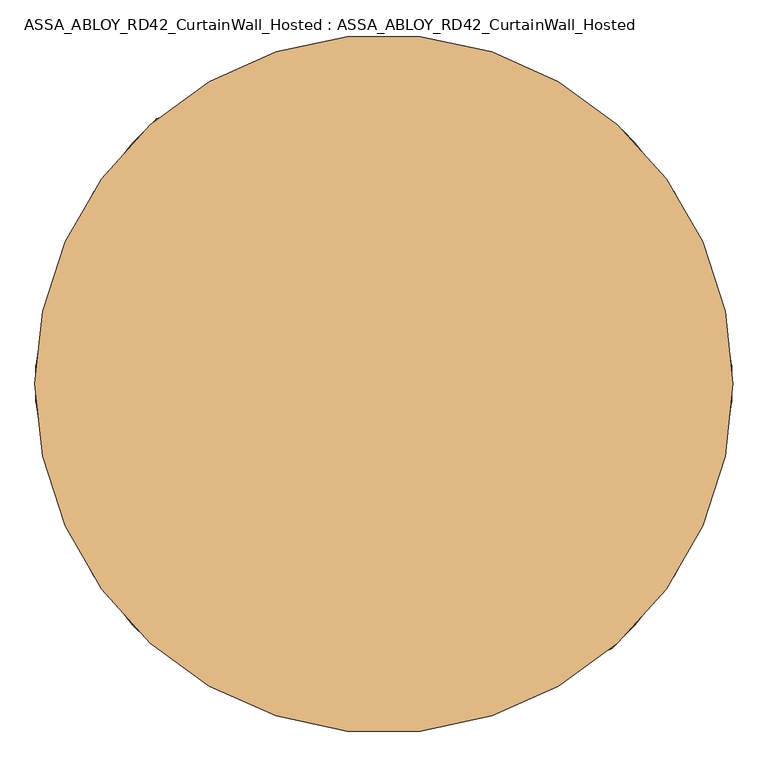
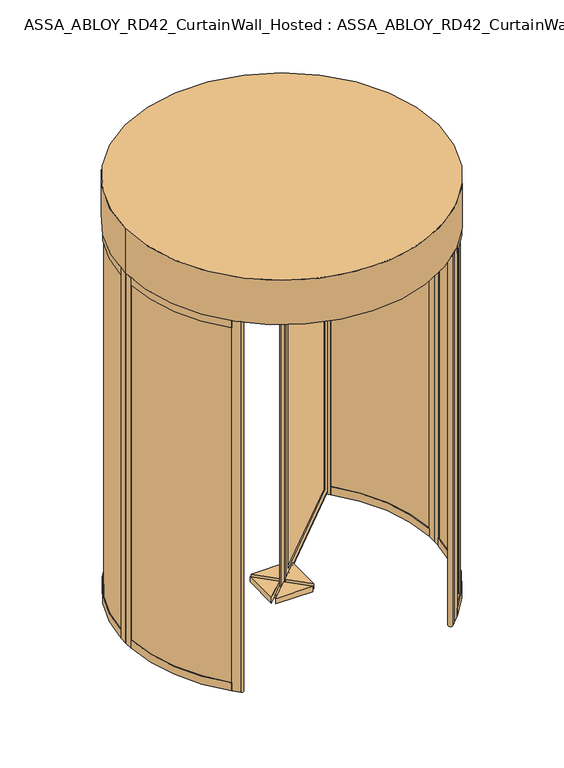
"""IFC4 building model written with IfcOpenShell, lengths in millimetres: door geometry, ASSA_ABLOY_RD42_CurtainWall_Hosted : ASSA_ABLOY_RD42_CurtainWall_Hosted."""

from ifc_helpers import new_model, si_unit, point, frame, frame_2d, origin, origin_with_axes, origin_2d, place, context, project, spatial, polyline, circle_curve, ellipse_curve, trimmed, segment, composite_curve, outline, extrude, source, transform, mapped, element, save
from ifc_brep_helpers import plane_surface, cylinder_surface, revolved_surface, advanced_brep


def assa_abloy_rd42_curtainwall_hosted_assa_abloy_rd42_6d103a5e(model_context):
    return source(origin(), model_context, "Body", "SolidModel", [
        advanced_brep(
        [(619.4255403, 605.2834047, 105.0), (621.5468607, 603.1620844, 105.0), (621.5468607, 603.1620844, 2395.0), (619.4255403, 605.2834047, 2395.0), (619.4255403, 633.5676759, 85.0), (633.5676759, 619.4255403, 85.0), (633.5676759, 619.4255403, 2415.0), (619.4255403, 633.5676759, 2415.0), (603.1620844, 621.5468607, 105.0), (605.2834047, 619.4255403, 105.0), (605.2834047, 619.4255403, 2395.0), (603.1620844, 621.5468607, 2395.0), (658.3164133, 639.931637, 53.0), (639.931637, 658.3164133, 53.0), (639.931637, 658.3164133, 2447.0), (658.3164133, 639.931637, 2447.0), (66.4680374, 48.0832611, 2395.0), (64.3467171, 50.2045815, 2395.0), (50.2045815, 36.0624458, 2415.0), (36.0624458, 50.2045815, 2415.0), (50.2045815, 64.3467171, 2395.0), (48.0832611, 66.4680374, 2395.0), (11.3137085, 29.6984848, 2447.0), (29.6984848, 11.3137085, 2447.0), (66.4680374, 48.0832611, 105.0), (64.3467171, 50.2045815, 105.0), (50.2045815, 36.0624458, 85.0), (36.0624458, 50.2045815, 85.0), (50.2045815, 64.3467171, 105.0), (48.0832611, 66.4680374, 105.0), (11.3137085, 29.6984848, 53.0), (29.6984848, 11.3137085, 53.0)],
        [
            (0, 1),
            (1, 2),
            (2, 3),
            (3, 0),
            (4, 5),
            (5, 6),
            (6, 7),
            (7, 4),
            (8, 9),
            (9, 10),
            (10, 11),
            (11, 8),
            (12, 13, ellipse_curve(frame((649.1240251, 649.1240251, 53.0), z_axis=(0.5000000000000073, 0.4999999999999926, 0.7071067811865475), x_axis=(0.4999999999999934, 0.5000000000000063, -0.7071067811865476)), 18.3847763, 13.0)),
            (13, 14),
            (14, 15, ellipse_curve(frame((649.1240251, 649.1240251, 2447.0), z_axis=(0.49999999999999345, 0.5000000000000064, -0.7071067811865475), x_axis=(-0.5000000000000072, -0.4999999999999925, -0.7071067811865476)), 18.3847763, 13.0)),
            (15, 12),
            (2, 16),
            (16, 17),
            (17, 3),
            (6, 18),
            (18, 19),
            (19, 7),
            (10, 20),
            (20, 21),
            (21, 11),
            (14, 22),
            (22, 23, ellipse_curve(frame((20.5060967, 20.5060967, 2447.0), z_axis=(0.5000000000000073, 0.4999999999999926, 0.7071067811865475), x_axis=(0.4999999999999936, 0.5000000000000066, -0.7071067811865475)), 18.3847763, 13.0)),
            (23, 15),
            (16, 24),
            (24, 25),
            (25, 17),
            (18, 26),
            (26, 27),
            (27, 19),
            (20, 28),
            (28, 29),
            (29, 21),
            (22, 30),
            (30, 31, ellipse_curve(frame((20.5060967, 20.5060967, 53.0), z_axis=(-0.49999999999999345, -0.5000000000000064, 0.7071067811865475), x_axis=(0.5000000000000072, 0.4999999999999925, 0.7071067811865476)), 18.3847763, 13.0)),
            (31, 23),
            (24, 1),
            (0, 25),
            (5, 26),
            (4, 27),
            (9, 28),
            (8, 29),
            (13, 30),
            (12, 31),
        ],
        [
            plane_surface(frame((621.5468607, 603.1620844, 105.0), z_axis=(-0.7071067811865499, -0.7071067811865451, 0.0), x_axis=(0.0, 0.0, 1.0))),
            plane_surface(frame((633.5676759, 619.4255403, 85.0), z_axis=(-0.7071067811865483, -0.7071067811865467, 0.0), x_axis=(0.0, 0.0, 1.0))),
            plane_surface(frame((605.2834047, 619.4255403, 105.0), z_axis=(-0.7071067811865499, -0.7071067811865451, 0.0), x_axis=(0.0, 0.0, 1.0))),
            cylinder_surface(frame((649.1240251, 649.1240251, 40.0), z_axis=(0.0, 0.0, -1.0), x_axis=(-0.7071067811865481, -0.7071067811865469, 0.0)), 13.0),
            plane_surface(frame((621.5468607, 603.1620844, 2395.0), z_axis=(0.0, 0.0, -1.0), x_axis=(-0.7071067811865481, -0.7071067811865469, 0.0))),
            plane_surface(frame((633.5676759, 619.4255403, 2415.0), z_axis=(0.0, 0.0, -1.0), x_axis=(-0.7071067811865481, -0.7071067811865469, 0.0))),
            plane_surface(frame((605.2834047, 619.4255403, 2395.0), z_axis=(0.0, 0.0, -1.0), x_axis=(-0.7071067811865481, -0.7071067811865469, 0.0))),
            cylinder_surface(frame((658.3164133, 658.3164133, 2447.0), z_axis=(0.7071067811865481, 0.7071067811865469, 0.0), x_axis=(0.0, 0.0, -1.0)), 13.0),
            plane_surface(frame((66.4680374, 48.0832611, 2395.0), z_axis=(0.7071067811865464, 0.7071067811865487, 0.0), x_axis=(0.0, 0.0, -1.0))),
            plane_surface(frame((50.2045815, 36.0624458, 2415.0), z_axis=(0.7071067811865479, 0.7071067811865471, 0.0), x_axis=(0.0, 0.0, -1.0))),
            plane_surface(frame((50.2045815, 64.3467171, 2395.0), z_axis=(0.7071067811865464, 0.7071067811865487, 0.0), x_axis=(0.0, 0.0, -1.0))),
            cylinder_surface(frame((20.5060967, 20.5060967, 2460.0), z_axis=(0.0, 0.0, 1.0), x_axis=(0.7071067811865481, 0.7071067811865469, 0.0)), 13.0),
            plane_surface(frame((66.4680374, 48.0832611, 105.0), z_axis=(0.0, 0.0, 1.0), x_axis=(0.7071067811865481, 0.7071067811865469, 0.0))),
            plane_surface(frame((64.3467171, 50.2045815, 105.0), z_axis=(-0.7071067811865469, 0.7071067811865481, 0.0), x_axis=(0.7071067811865481, 0.7071067811865469, 0.0))),
            plane_surface(frame((50.2045815, 36.0624458, 85.0), z_axis=(0.0, 0.0, 1.0), x_axis=(0.7071067811865481, 0.7071067811865469, 0.0))),
            plane_surface(frame((36.0624458, 50.2045815, 85.0), z_axis=(0.7071067811865469, -0.7071067811865481, 0.0), x_axis=(0.7071067811865481, 0.7071067811865469, 0.0))),
            plane_surface(frame((50.2045815, 64.3467171, 105.0), z_axis=(0.0, 0.0, 1.0), x_axis=(0.7071067811865481, 0.7071067811865469, 0.0))),
            plane_surface(frame((48.0832611, 66.4680374, 105.0), z_axis=(-0.7071067811865469, 0.7071067811865481, 0.0), x_axis=(0.7071067811865481, 0.7071067811865469, 0.0))),
            cylinder_surface(frame((11.3137085, 11.3137085, 53.0), z_axis=(-0.7071067811865481, -0.7071067811865469, 0.0), x_axis=(0.0, 0.0, 1.0)), 13.0),
            plane_surface(frame((29.6984848, 11.3137085, 53.0), z_axis=(0.7071067811865469, -0.7071067811865481, 0.0), x_axis=(0.7071067811865481, 0.7071067811865469, 0.0))),
        ],
        [
            (0, [[1, 2, 3, 4]]),
            (1, [[5, 6, 7, 8]]),
            (2, [[9, 10, 11, 12]]),
            (3, [[13, 14, 15, 16]]),
            (4, [[-3, 17, 18, 19]]),
            (5, [[-7, 20, 21, 22]]),
            (6, [[-11, 23, 24, 25]]),
            (7, [[-15, 26, 27, 28]]),
            (8, [[-18, 29, 30, 31]]),
            (9, [[-21, 32, 33, 34]]),
            (10, [[-24, 35, 36, 37]]),
            (11, [[-27, 38, 39, 40]]),
            (12, [[-30, 41, -1, 42]]),
            (13, [[43, -32, -20, -6], [-19, -31, -42, -4]]),
            (14, [[-33, -43, -5, 44]]),
            (15, [[-22, -34, -44, -8], [45, -35, -23, -10]]),
            (16, [[-36, -45, -9, 46]]),
            (17, [[47, -38, -26, -14], [-25, -37, -46, -12]]),
            (18, [[-39, -47, -13, 48]]),
            (19, [[-28, -40, -48, -16], [-41, -29, -17, -2]]),
        ],
    ),
        extrude(outline(polyline([(622.9610742, 630.032142), (630.032142, 622.9610742), (46.6690476, 39.5979797), (39.5979797, 46.6690476), (622.9610742, 630.032142)])), frame((0.0, 0.0, 85.0), z_axis=(0.0, 0.0, 1.0), x_axis=(1.0, 0.0, 0.0)), (0.0, 0.0, 1.0), 2330.0),
        extrude(outline(composite_curve([segment(trimmed(circle_curve(origin_2d(), 24.0), [point((-16.9705627, -16.9705627))], [point((16.9705627, 16.9705627))], False, "CARTESIAN"), True, "CONTINUOUS"), segment(trimmed(circle_curve(origin_2d(), 24.0), [point((16.9705627, 16.9705627))], [point((-16.9705627, -16.9705627))], False, "CARTESIAN"), True, "CONTINUOUS")], self_intersect=False)), origin_with_axes(), (0.0, 0.0, 1.0), 20.0),
        extrude(outline(composite_curve([segment(trimmed(circle_curve(origin_2d(), 100.0), [point((-70.7106781, -70.7106781))], [point((70.7106781, 70.7106781))], False, "CARTESIAN"), True, "CONTINUOUS"), segment(trimmed(circle_curve(origin_2d(), 100.0), [point((70.7106781, 70.7106781))], [point((-70.7106781, -70.7106781))], False, "CARTESIAN"), True, "CONTINUOUS")], self_intersect=False)), frame((0.0, 0.0, 20.0), z_axis=(0.0, 0.0, 1.0), x_axis=(1.0, 0.0, 0.0)), (0.0, 0.0, 1.0), 20.0),
        extrude(outline(composite_curve([segment(trimmed(circle_curve(origin_2d(), 24.0), [point((16.9705627, 16.9705627))], [point((-16.9705627, -16.9705627))], False, "CARTESIAN"), True, "CONTINUOUS"), segment(trimmed(circle_curve(origin_2d(), 24.0), [point((-16.9705627, -16.9705627))], [point((16.9705627, 16.9705627))], False, "CARTESIAN"), True, "CONTINUOUS")], self_intersect=False)), frame((0.0, 0.0, 2480.0), z_axis=(0.0, 0.0, 1.0), x_axis=(1.0, 0.0, 0.0)), (0.0, 0.0, 1.0), 20.0),
        extrude(outline(composite_curve([segment(trimmed(circle_curve(origin_2d(), 100.0), [point((70.7106781, 70.7106781))], [point((-70.7106781, -70.7106781))], False, "CARTESIAN"), True, "CONTINUOUS"), segment(trimmed(circle_curve(origin_2d(), 100.0), [point((-70.7106781, -70.7106781))], [point((70.7106781, 70.7106781))], False, "CARTESIAN"), True, "CONTINUOUS")], self_intersect=False)), frame((0.0, 0.0, 2460.0), z_axis=(0.0, 0.0, 1.0), x_axis=(1.0, 0.0, 0.0)), (0.0, 0.0, 1.0), 20.0),
        extrude(outline(composite_curve([segment(trimmed(circle_curve(origin_2d(), 12.5), [point((-8.8388348, -8.8388348))], [point((8.8388348, 8.8388348))], False, "CARTESIAN"), True, "CONTINUOUS"), segment(trimmed(circle_curve(origin_2d(), 12.5), [point((8.8388348, 8.8388348))], [point((-8.8388348, -8.8388348))], False, "CARTESIAN"), True, "CONTINUOUS")], self_intersect=False)), origin_with_axes(), (0.0, 0.0, 1.0), 2500.0),
        extrude(outline(polyline([(-136.0, 117.6152237), (-18.3847763, 0.0), (-136.0, -117.6152237), (-136.0, 117.6152237)])), frame((0.0, 0.0, 2425.0), z_axis=(0.0, 0.0, 1.0), x_axis=(1.0, 0.0, 0.0)), (0.0, 0.0, 1.0), 35.0),
        extrude(outline(polyline([(-117.6152237, -136.0), (0.0, -18.3847763), (117.6152237, -136.0), (-117.6152237, -136.0)])), frame((0.0, 0.0, 2425.0), z_axis=(0.0, 0.0, 1.0), x_axis=(1.0, 0.0, 0.0)), (0.0, 0.0, 1.0), 35.0),
        extrude(outline(polyline([(136.0, -117.6152237), (18.3847763, 0.0), (136.0, 117.6152237), (136.0, -117.6152237)])), frame((0.0, 0.0, 2425.0), z_axis=(0.0, 0.0, 1.0), x_axis=(1.0, 0.0, 0.0)), (0.0, 0.0, 1.0), 35.0),
        extrude(outline(polyline([(117.6152237, 136.0), (0.0, 18.3847763), (-117.6152237, 136.0), (117.6152237, 136.0)])), frame((0.0, 0.0, 2425.0), z_axis=(0.0, 0.0, 1.0), x_axis=(1.0, 0.0, 0.0)), (0.0, 0.0, 1.0), 35.0),
        extrude(outline(polyline([(-136.0, 117.6152237), (-18.3847763, 0.0), (-136.0, -117.6152237), (-136.0, 117.6152237)])), frame((0.0, 0.0, 40.0), z_axis=(0.0, 0.0, 1.0), x_axis=(1.0, 0.0, 0.0)), (0.0, 0.0, 1.0), 35.0),
        extrude(outline(polyline([(-117.6152237, -136.0), (0.0, -18.3847763), (117.6152237, -136.0), (-117.6152237, -136.0)])), frame((0.0, 0.0, 40.0), z_axis=(0.0, 0.0, 1.0), x_axis=(1.0, 0.0, 0.0)), (0.0, 0.0, 1.0), 35.0),
        extrude(outline(polyline([(136.0, -117.6152237), (18.3847763, 0.0), (136.0, 117.6152237), (136.0, -117.6152237)])), frame((0.0, 0.0, 40.0), z_axis=(0.0, 0.0, 1.0), x_axis=(1.0, 0.0, 0.0)), (0.0, 0.0, 1.0), 35.0),
        extrude(outline(polyline([(117.6152237, 136.0), (0.0, 18.3847763), (-117.6152237, 136.0), (117.6152237, 136.0)])), frame((0.0, 0.0, 40.0), z_axis=(0.0, 0.0, 1.0), x_axis=(1.0, 0.0, 0.0)), (0.0, 0.0, 1.0), 35.0),
        extrude(outline(composite_curve([segment(trimmed(circle_curve(origin_2d(), 974.0), [point((-688.7220049, 688.7220049))], [point((-688.7220049, -688.7220049))], True, "CARTESIAN"), True, "CONTINUOUS"), segment(polyline([(-688.7220049, -688.7220049), (-702.8641405, -702.8641405)]), True, "CONTINUOUS"), segment(trimmed(circle_curve(origin_2d(), 994.0), [point((-702.8641405, -702.8641405))], [point((-702.8641405, 702.8641405))], False, "CARTESIAN"), True, "CONTINUOUS"), segment(polyline([(-702.8641405, 702.8641405), (-688.7220049, 688.7220049)]), True, "CONTINUOUS")], self_intersect=False)), frame((0.0, 0.0, 2495.0), z_axis=(0.0, 0.0, 1.0), x_axis=(1.0, 0.0, 0.0)), (0.0, 0.0, 1.0), 5.0),
        extrude(outline(composite_curve([segment(trimmed(circle_curve(origin_2d(), 989.0), [point((699.3286066, 699.3286066))], [point((988.4436781, 33.1676829))], False, "CARTESIAN"), True, "CONTINUOUS"), segment(polyline([(988.4436781, 33.1676829), (978.4493032, 32.8323171)]), True, "CONTINUOUS"), segment(trimmed(circle_curve(origin_2d(), 979.0), [point((978.4493032, 32.8323171))], [point((692.2575388, 692.2575388))], True, "CARTESIAN"), True, "CONTINUOUS"), segment(polyline([(692.2575388, 692.2575388), (699.3286066, 699.3286066)]), True, "CONTINUOUS")], self_intersect=False)), frame((0.0, 0.0, 33.0), z_axis=(0.0, 0.0, 1.0), x_axis=(1.0, 0.0, 0.0)), (0.0, 0.0, 1.0), 2437.0),
        extrude(outline(composite_curve([segment(trimmed(circle_curve(origin_2d(), 989.0), [point((988.4436781, -33.1676829))], [point((699.3286066, -699.3286066))], False, "CARTESIAN"), True, "CONTINUOUS"), segment(polyline([(699.3286066, -699.3286066), (692.2575388, -692.2575388)]), True, "CONTINUOUS"), segment(trimmed(circle_curve(origin_2d(), 979.0), [point((692.2575388, -692.2575388))], [point((978.4493032, -32.8323171))], True, "CARTESIAN"), True, "CONTINUOUS"), segment(polyline([(978.4493032, -32.8323171), (988.4436781, -33.1676829)]), True, "CONTINUOUS")], self_intersect=False)), frame((0.0, 0.0, 33.0), z_axis=(0.0, 0.0, 1.0), x_axis=(1.0, 0.0, 0.0)), (0.0, 0.0, 1.0), 2437.0),
        extrude(outline(composite_curve([segment(polyline([(702.863883, -702.863883), (717.0060186, -688.7217474), (719.1270815, -690.8428103), (674.5793543, -735.3905375), (675.2864632, -736.0976464), (654.0719672, -757.3121425)]), True, "CONTINUOUS"), segment(trimmed(circle_curve(frame_2d((644.1727276, -747.4129028)), 13.9996389), [point((654.0719672, -757.3121425))], [point((634.273488, -737.5136632))], False, "CARTESIAN"), True, "CONTINUOUS"), segment(polyline([(634.273488, -737.5136632), (655.487984, -716.2991672), (656.1950929, -717.0062761), (700.7428202, -672.4585489), (702.863883, -674.5796118), (688.7217474, -688.7217474), (702.863883, -702.863883)]), True, "CONTINUOUS")], self_intersect=False)), origin_with_axes(), (0.0, 0.0, 1.0), 2500.0),
        extrude(outline(composite_curve([segment(polyline([(702.863883, 702.863883), (688.7217474, 688.7217474), (702.863883, 674.5796118), (700.7428202, 672.4585489), (663.9730099, 709.2283592)]), True, "CONTINUOUS"), segment(trimmed(circle_curve(frame_2d((673.1651406, 718.4204898)), 12.9996359), [point((663.9730099, 709.2283592))], [point((682.3572713, 727.6126205))], False, "CARTESIAN"), True, "CONTINUOUS"), segment(polyline([(682.3572713, 727.6126205), (719.1270815, 690.8428103), (717.0060186, 688.7217474), (702.863883, 702.863883)]), True, "CONTINUOUS")], self_intersect=False)), origin_with_axes(), (0.0, 0.0, 1.0), 2500.0),
        advanced_brep(
        [(700.2358565, 672.6891892, 0.0), (700.2358565, 672.6891892, 53.0), (702.3993041, 674.7675286, 53.0), (702.3993041, 674.7675286, 33.0), (716.8222877, 688.6231246, 33.0), (716.8222877, 688.6231246, 53.0), (718.9857353, 690.701464, 53.0), (718.9857353, 690.701464, 0.0), (969.6270403, 51.6178536, 0.0), (995.5902772, 53.0, 0.0), (995.5902772, 53.0, 53.0), (992.5945191, 52.8405216, 53.0), (992.5945191, 52.8405216, 33.0), (972.6227984, 51.777332, 33.0), (972.6227984, 51.777332, 53.0), (969.6270403, 51.6178536, 53.0)],
        [
            (0, 1),
            (1, 2),
            (2, 3),
            (3, 4),
            (4, 5),
            (5, 6),
            (6, 7),
            (7, 0),
            (8, 9),
            (9, 10),
            (10, 11),
            (11, 12),
            (12, 13),
            (13, 14),
            (14, 15),
            (15, 8),
            (15, 1, circle_curve(frame((0.0, 0.0, 53.0), z_axis=(0.0, 0.0, 1.0), x_axis=(0.7211491828452432, 0.6927798034596837, 0.0)), 971.0)),
            (0, 8, circle_curve(frame((0.0, 0.0, 0.0), z_axis=(0.0, 0.0, -1.0), x_axis=(0.7211491828452432, 0.6927798034596837, 0.0)), 971.0)),
            (14, 2, circle_curve(frame((0.0, 0.0, 53.0), z_axis=(0.0, 0.0, 1.0), x_axis=(0.7211491828452432, 0.6927798034596837, 0.0)), 974.0)),
            (13, 3, circle_curve(frame((0.0, 0.0, 33.0), z_axis=(0.0, 0.0, 1.0), x_axis=(0.7211491828452432, 0.6927798034596837, 0.0)), 974.0)),
            (12, 4, circle_curve(frame((0.0, 0.0, 33.0), z_axis=(0.0, 0.0, 1.0), x_axis=(0.7211491828452432, 0.6927798034596837, 0.0)), 994.0)),
            (11, 5, circle_curve(frame((0.0, 0.0, 53.0), z_axis=(0.0, 0.0, 1.0), x_axis=(0.7211491828452432, 0.6927798034596837, 0.0)), 994.0)),
            (10, 6, circle_curve(frame((0.0, 0.0, 53.0), z_axis=(0.0, 0.0, 1.0), x_axis=(0.7211491828452432, 0.6927798034596837, 0.0)), 997.0)),
            (9, 7, circle_curve(frame((0.0, 0.0, 0.0), z_axis=(0.0, 0.0, 1.0), x_axis=(0.7211491828452432, 0.6927798034596837, 0.0)), 997.0)),
        ],
        [
            plane_surface(frame((718.9857353, 690.701464, 0.0), z_axis=(-0.6927798034596837, 0.7211491828452432, 0.0), x_axis=(0.0, 0.0, 1.0))),
            plane_surface(frame((995.5902772, 53.0, 0.0), z_axis=(0.053159478435430674, -0.9985860352781193, 0.0), x_axis=(0.0, 0.0, 1.0))),
            revolved_surface(polyline([(700.2358565427312, 672.6891891593528, 0.0), (700.2358565427312, 672.6891891593528, 53.0)]), (0.0, 0.0, 0.0), (0.0, 0.0, -1.0)),
            plane_surface(frame((0.0, 0.0, 53.0), z_axis=(0.0, 0.0, 1.0), x_axis=(0.7211491828452432, 0.6927798034596837, 0.0))),
            cylinder_surface(frame((0.0, 0.0, 0.0), z_axis=(0.0, 0.0, -1.0), x_axis=(0.7211491828452432, 0.6927798034596837, 0.0)), 974.0),
            plane_surface(frame((0.0, 0.0, 33.0), z_axis=(0.0, 0.0, 1.0), x_axis=(0.7211491828452432, 0.6927798034596837, 0.0))),
            revolved_surface(polyline([(716.8222877481718, 688.6231246389256, 33.0), (716.8222877481718, 688.6231246389256, 53.0)]), (0.0, 0.0, 0.0), (0.0, 0.0, -1.0)),
            cylinder_surface(frame((0.0, 0.0, 0.0), z_axis=(0.0, 0.0, -1.0), x_axis=(0.7211491828452432, 0.6927798034596837, 0.0)), 997.0),
            plane_surface(frame((0.0, 0.0, 0.0), z_axis=(0.0, 0.0, -1.0), x_axis=(0.7211491828452432, 0.6927798034596837, 0.0))),
        ],
        [
            (0, [[1, 2, 3, 4, 5, 6, 7, 8]]),
            (1, [[9, 10, 11, 12, 13, 14, 15, 16]]),
            (2, [[17, -1, 18, -16]]),
            (3, [[19, -2, -17, -15]]),
            (4, [[20, -3, -19, -14]]),
            (5, [[21, -4, -20, -13]]),
            (6, [[22, -5, -21, -12]]),
            (3, [[23, -6, -22, -11]]),
            (7, [[24, -7, -23, -10]]),
            (8, [[-18, -8, -24, -9]]),
        ],
    ),
        advanced_brep(
        [(969.6270403, 51.6178536, 2500.0), (969.6270403, 51.6178536, 2450.0), (972.6227984, 51.777332, 2450.0), (972.6227984, 51.777332, 2470.0), (992.5945191, 52.8405216, 2470.0), (992.5945191, 52.8405216, 2450.0), (995.5902772, 53.0, 2450.0), (995.5902772, 53.0, 2500.0), (700.2358565, 672.6891892, 2500.0), (718.9857353, 690.701464, 2500.0), (718.9857353, 690.701464, 2450.0), (716.8222877, 688.6231246, 2450.0), (716.8222877, 688.6231246, 2470.0), (702.3993041, 674.7675286, 2470.0), (702.3993041, 674.7675286, 2450.0), (700.2358565, 672.6891892, 2450.0)],
        [
            (0, 1),
            (1, 2),
            (2, 3),
            (3, 4),
            (4, 5),
            (5, 6),
            (6, 7),
            (7, 0),
            (8, 9),
            (9, 10),
            (10, 11),
            (11, 12),
            (12, 13),
            (13, 14),
            (14, 15),
            (15, 8),
            (15, 1, circle_curve(frame((0.0, 0.0, 2450.0), z_axis=(0.0, 0.0, -1.0), x_axis=(0.9985860352779962, 0.053159478437741485, 0.0)), 971.0)),
            (0, 8, circle_curve(frame((0.0, 0.0, 2500.0), z_axis=(0.0, 0.0, 1.0), x_axis=(0.9985860352779962, 0.053159478437741485, 0.0)), 971.0)),
            (14, 2, circle_curve(frame((0.0, 0.0, 2450.0), z_axis=(0.0, 0.0, -1.0), x_axis=(0.9985860352779962, 0.053159478437741485, 0.0)), 974.0)),
            (9, 7, circle_curve(frame((0.0, 0.0, 2500.0), z_axis=(0.0, 0.0, -1.0), x_axis=(0.9985860352779962, 0.053159478437741485, 0.0)), 997.0)),
            (6, 10, circle_curve(frame((0.0, 0.0, 2450.0), z_axis=(0.0, 0.0, 1.0), x_axis=(0.9985860352779962, 0.053159478437741485, 0.0)), 997.0)),
            (13, 3, circle_curve(frame((0.0, 0.0, 2470.0), z_axis=(0.0, 0.0, -1.0), x_axis=(0.9985860352779962, 0.053159478437741485, 0.0)), 974.0)),
            (12, 4, circle_curve(frame((0.0, 0.0, 2470.0), z_axis=(0.0, 0.0, -1.0), x_axis=(0.9985860352779962, 0.053159478437741485, 0.0)), 994.0)),
            (11, 5, circle_curve(frame((0.0, 0.0, 2450.0), z_axis=(0.0, 0.0, -1.0), x_axis=(0.9985860352779962, 0.053159478437741485, 0.0)), 994.0)),
        ],
        [
            plane_surface(frame((995.5902772, 53.0, 2500.0), z_axis=(0.05315947843774149, -0.9985860352779962, 0.0), x_axis=(0.0, 0.0, 1.0))),
            plane_surface(frame((718.9857353, 690.701464, 2500.0), z_axis=(-0.692779803459834, 0.7211491828450988, 0.0), x_axis=(0.0, 0.0, 1.0))),
            revolved_surface(polyline([(969.6270402549343, 51.617853563046985, 2500.0), (969.6270402549343, 51.617853563046985, 2450.0)]), (0.0, 0.0, 2500.0), (0.0, 0.0, 1.0)),
            plane_surface(frame((0.0, 0.0, 2450.0), z_axis=(0.0, 0.0, -1.0000000000000002), x_axis=(0.9985860352779962, 0.053159478437741485, 0.0))),
            cylinder_surface(frame((0.0, 0.0, 2500.0), z_axis=(0.0, 0.0, 1.0), x_axis=(0.9985860352779962, 0.053159478437741485, 0.0)), 997.0),
            plane_surface(frame((0.0, 0.0, 2500.0), z_axis=(0.0, 0.0, 1.0000000000000002), x_axis=(0.9985860352779962, 0.053159478437741485, 0.0))),
            cylinder_surface(frame((0.0, 0.0, 2500.0), z_axis=(0.0, 0.0, 1.0), x_axis=(0.9985860352779962, 0.053159478437741485, 0.0)), 974.0),
            plane_surface(frame((0.0, 0.0, 2470.0), z_axis=(0.0, 0.0, -1.0000000000000002), x_axis=(0.9985860352779962, 0.053159478437741485, 0.0))),
            revolved_surface(polyline([(992.5945190663282, 52.84052156711503, 2470.0), (992.5945190663282, 52.84052156711503, 2450.0)]), (0.0, 0.0, 2500.0), (0.0, 0.0, 1.0)),
        ],
        [
            (0, [[1, 2, 3, 4, 5, 6, 7, 8]]),
            (1, [[9, 10, 11, 12, 13, 14, 15, 16]]),
            (2, [[17, -1, 18, -16]]),
            (3, [[19, -2, -17, -15]]),
            (4, [[20, -7, 21, -10]]),
            (5, [[-18, -8, -20, -9]]),
            (6, [[22, -3, -19, -14]]),
            (7, [[23, -4, -22, -13]]),
            (8, [[24, -5, -23, -12]]),
            (3, [[-21, -6, -24, -11]]),
        ],
    ),
        extrude(outline(polyline([(997.0, 0.0), (971.0, 0.0), (971.0, 53.0), (974.0, 53.0), (974.0, 33.0), (994.0, 33.0), (994.0, 53.0), (997.0, 53.0), (997.0, 0.0)])), origin_with_axes(), (0.0, 0.0, 1.0), 2500.0),
        advanced_brep(
        [(700.2358565, -672.6891892, 0.0), (718.9857353, -690.701464, 0.0), (718.9857353, -690.701464, 53.0), (716.8222877, -688.6231246, 53.0), (716.8222877, -688.6231246, 33.0), (702.3993041, -674.7675286, 33.0), (702.3993041, -674.7675286, 53.0), (700.2358565, -672.6891892, 53.0), (969.6270403, -51.6178536, 0.0), (969.6270403, -51.6178536, 53.0), (972.6227984, -51.777332, 53.0), (972.6227984, -51.777332, 33.0), (992.5945191, -52.8405216, 33.0), (992.5945191, -52.8405216, 53.0), (995.5902772, -53.0, 53.0), (995.5902772, -53.0, 0.0)],
        [
            (0, 1),
            (1, 2),
            (2, 3),
            (3, 4),
            (4, 5),
            (5, 6),
            (6, 7),
            (7, 0),
            (8, 9),
            (9, 10),
            (10, 11),
            (11, 12),
            (12, 13),
            (13, 14),
            (14, 15),
            (15, 8),
            (8, 0, circle_curve(frame((0.0, 0.0, 0.0), z_axis=(0.0, 0.0, -1.0), x_axis=(0.7211491828451337, -0.6927798034597976, 0.0)), 971.0)),
            (7, 9, circle_curve(frame((0.0, 0.0, 53.0), z_axis=(0.0, 0.0, 1.0), x_axis=(0.7211491828451337, -0.6927798034597976, 0.0)), 971.0)),
            (6, 10, circle_curve(frame((0.0, 0.0, 53.0), z_axis=(0.0, 0.0, 1.0), x_axis=(0.7211491828451337, -0.6927798034597976, 0.0)), 974.0)),
            (5, 11, circle_curve(frame((0.0, 0.0, 33.0), z_axis=(0.0, 0.0, 1.0), x_axis=(0.7211491828451337, -0.6927798034597976, 0.0)), 974.0)),
            (4, 12, circle_curve(frame((0.0, 0.0, 33.0), z_axis=(0.0, 0.0, 1.0), x_axis=(0.7211491828451337, -0.6927798034597976, 0.0)), 994.0)),
            (3, 13, circle_curve(frame((0.0, 0.0, 53.0), z_axis=(0.0, 0.0, 1.0), x_axis=(0.7211491828451337, -0.6927798034597976, 0.0)), 994.0)),
            (2, 14, circle_curve(frame((0.0, 0.0, 53.0), z_axis=(0.0, 0.0, 1.0), x_axis=(0.7211491828451337, -0.6927798034597976, 0.0)), 997.0)),
            (1, 15, circle_curve(frame((0.0, 0.0, 0.0), z_axis=(0.0, 0.0, 1.0), x_axis=(0.7211491828451337, -0.6927798034597976, 0.0)), 997.0)),
        ],
        [
            plane_surface(frame((718.9857353, -690.701464, 0.0), z_axis=(-0.6927798034597977, -0.7211491828451339, 0.0), x_axis=(0.0, 0.0, 1.0))),
            plane_surface(frame((995.5902772, -53.0, 0.0), z_axis=(0.053159478435759744, 0.9985860352781017, 0.0), x_axis=(0.0, 0.0, 1.0))),
            revolved_surface(polyline([(700.2358565426249, -672.6891891594635, 53.0), (700.2358565426249, -672.6891891594635, 0.0)]), (0.0, 0.0, 0.0), (0.0, 0.0, 1.0)),
            plane_surface(frame((0.0, 0.0, 53.0), z_axis=(0.0, 0.0, 1.0000000000000002), x_axis=(0.7211491828451339, -0.6927798034597977, 0.0))),
            cylinder_surface(frame((0.0, 0.0, 0.0), z_axis=(0.0, 0.0, 1.0), x_axis=(0.7211491828451337, -0.6927798034597976, 0.0)), 974.0),
            plane_surface(frame((0.0, 0.0, 33.0), z_axis=(0.0, 0.0, 1.0000000000000002), x_axis=(0.7211491828451339, -0.6927798034597977, 0.0))),
            revolved_surface(polyline([(716.822287748063, -688.6231246390388, 53.0), (716.822287748063, -688.6231246390388, 33.0)]), (0.0, 0.0, 0.0), (0.0, 0.0, 1.0)),
            cylinder_surface(frame((0.0, 0.0, 0.0), z_axis=(0.0, 0.0, 1.0), x_axis=(0.7211491828451337, -0.6927798034597976, 0.0)), 997.0),
            plane_surface(frame((0.0, 0.0, 0.0), z_axis=(0.0, 0.0, -1.0000000000000002), x_axis=(0.7211491828451339, -0.6927798034597977, 0.0))),
        ],
        [
            (0, [[1, 2, 3, 4, 5, 6, 7, 8]]),
            (1, [[9, 10, 11, 12, 13, 14, 15, 16]]),
            (2, [[17, -8, 18, -9]]),
            (3, [[-18, -7, 19, -10]]),
            (4, [[-19, -6, 20, -11]]),
            (5, [[-20, -5, 21, -12]]),
            (6, [[-21, -4, 22, -13]]),
            (3, [[-22, -3, 23, -14]]),
            (7, [[-23, -2, 24, -15]]),
            (8, [[-24, -1, -17, -16]]),
        ],
    ),
        advanced_brep(
        [(969.6270403, -51.6178536, 2500.0), (995.5902772, -53.0, 2500.0), (995.5902772, -53.0, 2450.0), (992.5945191, -52.8405216, 2450.0), (992.5945191, -52.8405216, 2470.0), (972.6227984, -51.777332, 2470.0), (972.6227984, -51.777332, 2450.0), (969.6270403, -51.6178536, 2450.0), (700.2358565, -672.6891892, 2500.0), (700.2358565, -672.6891892, 2450.0), (702.3993041, -674.7675286, 2450.0), (702.3993041, -674.7675286, 2470.0), (716.8222877, -688.6231246, 2470.0), (716.8222877, -688.6231246, 2450.0), (718.9857353, -690.7014641, 2450.0), (718.9857353, -690.7014641, 2500.0)],
        [
            (0, 1),
            (1, 2),
            (2, 3),
            (3, 4),
            (4, 5),
            (5, 6),
            (6, 7),
            (7, 0),
            (8, 9),
            (9, 10),
            (10, 11),
            (11, 12),
            (12, 13),
            (13, 14),
            (14, 15),
            (15, 8),
            (8, 0, circle_curve(frame((0.0, 0.0, 2500.0), z_axis=(0.0, 0.0, 1.0), x_axis=(0.9985860352782786, -0.05315947843243415, 0.0)), 971.0)),
            (7, 9, circle_curve(frame((0.0, 0.0, 2450.0), z_axis=(0.0, 0.0, -1.0), x_axis=(0.9985860352782786, -0.05315947843243415, 0.0)), 971.0)),
            (6, 10, circle_curve(frame((0.0, 0.0, 2450.0), z_axis=(0.0, 0.0, -1.0), x_axis=(0.9985860352782786, -0.05315947843243415, 0.0)), 974.0)),
            (14, 2, circle_curve(frame((0.0, 0.0, 2450.0), z_axis=(0.0, 0.0, 1.0), x_axis=(0.9985860352782786, -0.05315947843243415, 0.0)), 997.0)),
            (1, 15, circle_curve(frame((0.0, 0.0, 2500.0), z_axis=(0.0, 0.0, -1.0), x_axis=(0.9985860352782786, -0.05315947843243415, 0.0)), 997.0)),
            (5, 11, circle_curve(frame((0.0, 0.0, 2470.0), z_axis=(0.0, 0.0, -1.0), x_axis=(0.9985860352782786, -0.05315947843243415, 0.0)), 974.0)),
            (4, 12, circle_curve(frame((0.0, 0.0, 2470.0), z_axis=(0.0, 0.0, -1.0), x_axis=(0.9985860352782786, -0.05315947843243415, 0.0)), 994.0)),
            (3, 13, circle_curve(frame((0.0, 0.0, 2450.0), z_axis=(0.0, 0.0, -1.0), x_axis=(0.9985860352782786, -0.05315947843243415, 0.0)), 994.0)),
        ],
        [
            plane_surface(frame((995.5902772, -53.0, 2500.0), z_axis=(0.053159478432434126, 0.9985860352782787, 0.0), x_axis=(0.0, 0.0, 1.0))),
            plane_surface(frame((718.9857353, -690.7014641, 2500.0), z_axis=(-0.6927798034572439, -0.7211491828475871, 0.0), x_axis=(0.0, 0.0, 1.0))),
            revolved_surface(polyline([(969.6270402552085, -51.617853557893554, 2450.0), (969.6270402552085, -51.617853557893554, 2500.0)]), (0.0, 0.0, 2500.0), (0.0, 0.0, -1.0)),
            plane_surface(frame((0.0, 0.0, 2450.0), z_axis=(0.0, 0.0, -1.0), x_axis=(0.9985860352782787, -0.053159478432434154, 0.0))),
            cylinder_surface(frame((0.0, 0.0, 2500.0), z_axis=(0.0, 0.0, -1.0), x_axis=(0.9985860352782786, -0.05315947843243415, 0.0)), 997.0),
            plane_surface(frame((0.0, 0.0, 2500.0), z_axis=(0.0, 0.0, 1.0), x_axis=(0.9985860352782787, -0.053159478432434154, 0.0))),
            cylinder_surface(frame((0.0, 0.0, 2500.0), z_axis=(0.0, 0.0, -1.0), x_axis=(0.9985860352782786, -0.05315947843243415, 0.0)), 974.0),
            plane_surface(frame((0.0, 0.0, 2470.0), z_axis=(0.0, 0.0, -1.0), x_axis=(0.9985860352782787, -0.053159478432434154, 0.0))),
            revolved_surface(polyline([(992.5945190666089, -52.840521561839545, 2450.0), (992.5945190666089, -52.840521561839545, 2470.0)]), (0.0, 0.0, 2500.0), (0.0, 0.0, -1.0)),
        ],
        [
            (0, [[1, 2, 3, 4, 5, 6, 7, 8]]),
            (1, [[9, 10, 11, 12, 13, 14, 15, 16]]),
            (2, [[17, -8, 18, -9]]),
            (3, [[-18, -7, 19, -10]]),
            (4, [[20, -2, 21, -15]]),
            (5, [[-21, -1, -17, -16]]),
            (6, [[-19, -6, 22, -11]]),
            (7, [[-22, -5, 23, -12]]),
            (8, [[-23, -4, 24, -13]]),
            (3, [[-24, -3, -20, -14]]),
        ],
    ),
        extrude(outline(polyline([(997.0, 0.0), (997.0, -53.0), (994.0, -53.0), (994.0, -33.0), (974.0, -33.0), (974.0, -53.0), (971.0, -53.0), (971.0, 0.0), (997.0, 0.0)])), origin_with_axes(), (0.0, 0.0, 1.0), 2500.0),
        extrude(outline(composite_curve([segment(trimmed(circle_curve(origin_2d(), 979.0), [point((-692.2575388, 692.2575388))], [point((-978.4493032, 32.8323171))], True, "CARTESIAN"), True, "CONTINUOUS"), segment(polyline([(-978.4493032, 32.8323171), (-988.4436781, 33.1676829)]), True, "CONTINUOUS"), segment(trimmed(circle_curve(origin_2d(), 989.0), [point((-988.4436781, 33.1676829))], [point((-699.3286066, 699.3286066))], False, "CARTESIAN"), True, "CONTINUOUS"), segment(polyline([(-699.3286066, 699.3286066), (-692.2575388, 692.2575388)]), True, "CONTINUOUS")], self_intersect=False)), frame((0.0, 0.0, 33.0), z_axis=(0.0, 0.0, 1.0), x_axis=(1.0, 0.0, 0.0)), (0.0, 0.0, 1.0), 2437.0),
        advanced_brep(
        [(-700.2358565, 672.6891892, 0.0), (-718.9857353, 690.701464, 0.0), (-718.9857353, 690.701464, 53.0), (-716.8222877, 688.6231246, 53.0), (-716.8222877, 688.6231246, 33.0), (-702.3993041, 674.7675286, 33.0), (-702.3993041, 674.7675286, 53.0), (-700.2358565, 672.6891892, 53.0), (-969.6270403, 51.6178536, 0.0), (-969.6270403, 51.6178536, 53.0), (-972.6227984, 51.777332, 53.0), (-972.6227984, 51.777332, 33.0), (-992.5945191, 52.8405216, 33.0), (-992.5945191, 52.8405216, 53.0), (-995.5902772, 53.0, 53.0), (-995.5902772, 53.0, 0.0)],
        [
            (0, 1),
            (1, 2),
            (2, 3),
            (3, 4),
            (4, 5),
            (5, 6),
            (6, 7),
            (7, 0),
            (8, 9),
            (9, 10),
            (10, 11),
            (11, 12),
            (12, 13),
            (13, 14),
            (14, 15),
            (15, 8),
            (8, 0, circle_curve(frame((0.0, 0.0, 0.0), z_axis=(0.0, 0.0, -1.0), x_axis=(-0.7211491828453972, 0.6927798034595233, 0.0)), 971.0)),
            (7, 9, circle_curve(frame((0.0, 0.0, 53.0), z_axis=(0.0, 0.0, 1.0), x_axis=(-0.7211491828453972, 0.6927798034595233, 0.0)), 971.0)),
            (6, 10, circle_curve(frame((0.0, 0.0, 53.0), z_axis=(0.0, 0.0, 1.0), x_axis=(-0.7211491828453972, 0.6927798034595233, 0.0)), 974.0)),
            (5, 11, circle_curve(frame((0.0, 0.0, 33.0), z_axis=(0.0, 0.0, 1.0), x_axis=(-0.7211491828453972, 0.6927798034595233, 0.0)), 974.0)),
            (4, 12, circle_curve(frame((0.0, 0.0, 33.0), z_axis=(0.0, 0.0, 1.0), x_axis=(-0.7211491828453972, 0.6927798034595233, 0.0)), 994.0)),
            (3, 13, circle_curve(frame((0.0, 0.0, 53.0), z_axis=(0.0, 0.0, 1.0), x_axis=(-0.7211491828453972, 0.6927798034595233, 0.0)), 994.0)),
            (2, 14, circle_curve(frame((0.0, 0.0, 53.0), z_axis=(0.0, 0.0, 1.0), x_axis=(-0.7211491828453972, 0.6927798034595233, 0.0)), 997.0)),
            (1, 15, circle_curve(frame((0.0, 0.0, 0.0), z_axis=(0.0, 0.0, 1.0), x_axis=(-0.7211491828453972, 0.6927798034595233, 0.0)), 997.0)),
        ],
        [
            plane_surface(frame((-718.9857353, 690.701464, 0.0), z_axis=(0.6927798034595234, 0.7211491828453973, 0.0), x_axis=(0.0, 0.0, 1.0))),
            plane_surface(frame((-995.5902772, 53.0, 0.0), z_axis=(-0.053159478434998075, -0.9985860352781423, 0.0), x_axis=(0.0, 0.0, 1.0))),
            revolved_surface(polyline([(-700.2358565428807, 672.6891891591971, 53.0), (-700.2358565428807, 672.6891891591971, 0.0)]), (0.0, 0.0, 0.0), (0.0, 0.0, 1.0)),
            plane_surface(frame((0.0, 0.0, 53.0), z_axis=(0.0, 0.0, 1.0), x_axis=(-0.7211491828453973, 0.6927798034595234, 0.0))),
            cylinder_surface(frame((0.0, 0.0, 0.0), z_axis=(0.0, 0.0, 1.0), x_axis=(-0.7211491828453972, 0.6927798034595233, 0.0)), 974.0),
            plane_surface(frame((0.0, 0.0, 33.0), z_axis=(0.0, 0.0, 1.0), x_axis=(-0.7211491828453973, 0.6927798034595234, 0.0))),
            revolved_surface(polyline([(-716.8222877483248, 688.6231246387662, 53.0), (-716.8222877483248, 688.6231246387662, 33.0)]), (0.0, 0.0, 0.0), (0.0, 0.0, 1.0)),
            cylinder_surface(frame((0.0, 0.0, 0.0), z_axis=(0.0, 0.0, 1.0), x_axis=(-0.7211491828453972, 0.6927798034595233, 0.0)), 997.0),
            plane_surface(frame((0.0, 0.0, 0.0), z_axis=(0.0, 0.0, -1.0), x_axis=(-0.7211491828453973, 0.6927798034595234, 0.0))),
        ],
        [
            (0, [[1, 2, 3, 4, 5, 6, 7, 8]]),
            (1, [[9, 10, 11, 12, 13, 14, 15, 16]]),
            (2, [[17, -8, 18, -9]]),
            (3, [[-18, -7, 19, -10]]),
            (4, [[-19, -6, 20, -11]]),
            (5, [[-20, -5, 21, -12]]),
            (6, [[-21, -4, 22, -13]]),
            (3, [[-22, -3, 23, -14]]),
            (7, [[-23, -2, 24, -15]]),
            (8, [[-24, -1, -17, -16]]),
        ],
    ),
        advanced_brep(
        [(-969.6270403, 51.6178536, 2500.0), (-995.5902772, 53.0, 2500.0), (-995.5902772, 53.0, 2450.0), (-992.5945191, 52.8405216, 2450.0), (-992.5945191, 52.8405216, 2470.0), (-972.6227984, 51.777332, 2470.0), (-972.6227984, 51.777332, 2450.0), (-969.6270403, 51.6178536, 2450.0), (-700.2358565, 672.6891892, 2500.0), (-700.2358565, 672.6891892, 2450.0), (-702.3993041, 674.7675286, 2450.0), (-702.3993041, 674.7675286, 2470.0), (-716.8222877, 688.6231246, 2470.0), (-716.8222877, 688.6231246, 2450.0), (-718.9857353, 690.701464, 2450.0), (-718.9857353, 690.701464, 2500.0)],
        [
            (0, 1),
            (1, 2),
            (2, 3),
            (3, 4),
            (4, 5),
            (5, 6),
            (6, 7),
            (7, 0),
            (8, 9),
            (9, 10),
            (10, 11),
            (11, 12),
            (12, 13),
            (13, 14),
            (14, 15),
            (15, 8),
            (8, 0, circle_curve(frame((0.0, 0.0, 2500.0), z_axis=(0.0, 0.0, 1.0), x_axis=(-0.9985860352779656, 0.05315947843831304, 0.0)), 971.0)),
            (7, 9, circle_curve(frame((0.0, 0.0, 2450.0), z_axis=(0.0, 0.0, -1.0), x_axis=(-0.9985860352779656, 0.05315947843831304, 0.0)), 971.0)),
            (6, 10, circle_curve(frame((0.0, 0.0, 2450.0), z_axis=(0.0, 0.0, -1.0), x_axis=(-0.9985860352779656, 0.05315947843831304, 0.0)), 974.0)),
            (14, 2, circle_curve(frame((0.0, 0.0, 2450.0), z_axis=(0.0, 0.0, 1.0), x_axis=(-0.9985860352779656, 0.05315947843831304, 0.0)), 997.0)),
            (1, 15, circle_curve(frame((0.0, 0.0, 2500.0), z_axis=(0.0, 0.0, -1.0), x_axis=(-0.9985860352779656, 0.05315947843831304, 0.0)), 997.0)),
            (5, 11, circle_curve(frame((0.0, 0.0, 2470.0), z_axis=(0.0, 0.0, -1.0), x_axis=(-0.9985860352779656, 0.05315947843831304, 0.0)), 974.0)),
            (4, 12, circle_curve(frame((0.0, 0.0, 2470.0), z_axis=(0.0, 0.0, -1.0), x_axis=(-0.9985860352779656, 0.05315947843831304, 0.0)), 994.0)),
            (3, 13, circle_curve(frame((0.0, 0.0, 2450.0), z_axis=(0.0, 0.0, -1.0), x_axis=(-0.9985860352779656, 0.05315947843831304, 0.0)), 994.0)),
        ],
        [
            plane_surface(frame((-995.5902772, 53.0, 2500.0), z_axis=(-0.05315947843831304, -0.9985860352779657, 0.0), x_axis=(0.0, 0.0, 1.0))),
            plane_surface(frame((-718.9857353, 690.701464, 2500.0), z_axis=(0.6927798034621088, 0.7211491828429136, 0.0), x_axis=(0.0, 0.0, 1.0))),
            revolved_surface(polyline([(-969.6270402549046, 51.61785356360196, 2450.0), (-969.6270402549046, 51.61785356360196, 2500.0)]), (0.0, 0.0, 2500.0), (0.0, 0.0, -1.0)),
            plane_surface(frame((0.0, 0.0, 2450.0), z_axis=(0.0, 0.0, -1.0), x_axis=(-0.9985860352779657, 0.05315947843831305, 0.0))),
            cylinder_surface(frame((0.0, 0.0, 2500.0), z_axis=(0.0, 0.0, -1.0), x_axis=(-0.9985860352779656, 0.05315947843831304, 0.0)), 997.0),
            plane_surface(frame((0.0, 0.0, 2500.0), z_axis=(0.0, 0.0, 1.0), x_axis=(-0.9985860352779657, 0.05315947843831305, 0.0))),
            cylinder_surface(frame((0.0, 0.0, 2500.0), z_axis=(0.0, 0.0, -1.0), x_axis=(-0.9985860352779656, 0.05315947843831304, 0.0)), 974.0),
            plane_surface(frame((0.0, 0.0, 2470.0), z_axis=(0.0, 0.0, -1.0), x_axis=(-0.9985860352779657, 0.05315947843831305, 0.0))),
            revolved_surface(polyline([(-992.5945190662978, 52.84052156768316, 2450.0), (-992.5945190662978, 52.84052156768316, 2470.0)]), (0.0, 0.0, 2500.0), (0.0, 0.0, -1.0)),
        ],
        [
            (0, [[1, 2, 3, 4, 5, 6, 7, 8]]),
            (1, [[9, 10, 11, 12, 13, 14, 15, 16]]),
            (2, [[17, -8, 18, -9]]),
            (3, [[-18, -7, 19, -10]]),
            (4, [[20, -2, 21, -15]]),
            (5, [[-21, -1, -17, -16]]),
            (6, [[-19, -6, 22, -11]]),
            (7, [[-22, -5, 23, -12]]),
            (8, [[-23, -4, 24, -13]]),
            (3, [[-24, -3, -20, -14]]),
        ],
    ),
        extrude(outline(composite_curve([segment(polyline([(-702.863883, 702.863883), (-717.0060186, 688.7217474), (-719.1270815, 690.8428103), (-674.5793543, 735.3905375), (-675.2864632, 736.0976464), (-654.0719672, 757.3121425)]), True, "CONTINUOUS"), segment(trimmed(circle_curve(frame_2d((-644.1727276, 747.4129028)), 13.9996389), [point((-654.0719672, 757.3121425))], [point((-634.273488, 737.5136632))], False, "CARTESIAN"), True, "CONTINUOUS"), segment(polyline([(-634.273488, 737.5136632), (-655.487984, 716.2991672), (-656.1950929, 717.0062761), (-700.7428202, 672.4585489), (-702.863883, 674.5796118), (-688.7217474, 688.7217474), (-702.863883, 702.863883)]), True, "CONTINUOUS")], self_intersect=False)), origin_with_axes(), (0.0, 0.0, 1.0), 2500.0),
        extrude(outline(polyline([(-997.0, 0.0), (-997.0, 53.0), (-994.0, 53.0), (-994.0, 33.0), (-974.0, 33.0), (-974.0, 53.0), (-971.0, 53.0), (-971.0, 0.0), (-997.0, 0.0)])), origin_with_axes(), (0.0, 0.0, 1.0), 2500.0),
        extrude(outline(composite_curve([segment(trimmed(circle_curve(origin_2d(), 989.0), [point((-699.3286066, -699.3286066))], [point((-988.4436781, -33.1676829))], False, "CARTESIAN"), True, "CONTINUOUS"), segment(polyline([(-988.4436781, -33.1676829), (-978.4493032, -32.8323171)]), True, "CONTINUOUS"), segment(trimmed(circle_curve(origin_2d(), 979.0), [point((-978.4493032, -32.8323171))], [point((-692.2575388, -692.2575388))], True, "CARTESIAN"), True, "CONTINUOUS"), segment(polyline([(-692.2575388, -692.2575388), (-699.3286066, -699.3286066)]), True, "CONTINUOUS")], self_intersect=False)), frame((0.0, 0.0, 33.0), z_axis=(0.0, 0.0, 1.0), x_axis=(1.0, 0.0, 0.0)), (0.0, 0.0, 1.0), 2437.0),
        advanced_brep(
        [(-700.2358565, -672.6891892, 0.0), (-700.2358565, -672.6891892, 53.0), (-702.3993041, -674.7675286, 53.0), (-702.3993041, -674.7675286, 33.0), (-716.8222877, -688.6231246, 33.0), (-716.8222877, -688.6231246, 53.0), (-718.9857353, -690.701464, 53.0), (-718.9857353, -690.701464, 0.0), (-969.6270403, -51.6178536, 0.0), (-995.5902772, -53.0, 0.0), (-995.5902772, -53.0, 53.0), (-992.5945191, -52.8405216, 53.0), (-992.5945191, -52.8405216, 33.0), (-972.6227984, -51.777332, 33.0), (-972.6227984, -51.777332, 53.0), (-969.6270403, -51.6178536, 53.0)],
        [
            (0, 1),
            (1, 2),
            (2, 3),
            (3, 4),
            (4, 5),
            (5, 6),
            (6, 7),
            (7, 0),
            (8, 9),
            (9, 10),
            (10, 11),
            (11, 12),
            (12, 13),
            (13, 14),
            (14, 15),
            (15, 8),
            (15, 1, circle_curve(frame((0.0, 0.0, 53.0), z_axis=(0.0, 0.0, 1.0), x_axis=(-0.72114918284517, -0.6927798034597599, 0.0)), 971.0)),
            (0, 8, circle_curve(frame((0.0, 0.0, 0.0), z_axis=(0.0, 0.0, -1.0), x_axis=(-0.72114918284517, -0.6927798034597599, 0.0)), 971.0)),
            (14, 2, circle_curve(frame((0.0, 0.0, 53.0), z_axis=(0.0, 0.0, 1.0), x_axis=(-0.72114918284517, -0.6927798034597599, 0.0)), 974.0)),
            (13, 3, circle_curve(frame((0.0, 0.0, 33.0), z_axis=(0.0, 0.0, 1.0), x_axis=(-0.72114918284517, -0.6927798034597599, 0.0)), 974.0)),
            (12, 4, circle_curve(frame((0.0, 0.0, 33.0), z_axis=(0.0, 0.0, 1.0), x_axis=(-0.72114918284517, -0.6927798034597599, 0.0)), 994.0)),
            (11, 5, circle_curve(frame((0.0, 0.0, 53.0), z_axis=(0.0, 0.0, 1.0), x_axis=(-0.72114918284517, -0.6927798034597599, 0.0)), 994.0)),
            (10, 6, circle_curve(frame((0.0, 0.0, 53.0), z_axis=(0.0, 0.0, 1.0), x_axis=(-0.72114918284517, -0.6927798034597599, 0.0)), 997.0)),
            (9, 7, circle_curve(frame((0.0, 0.0, 0.0), z_axis=(0.0, 0.0, 1.0), x_axis=(-0.72114918284517, -0.6927798034597599, 0.0)), 997.0)),
        ],
        [
            plane_surface(frame((-718.9857353, -690.701464, 0.0), z_axis=(0.6927798034597599, -0.7211491828451702, 0.0), x_axis=(0.0, 0.0, 1.0))),
            plane_surface(frame((-995.5902772, -53.0, 0.0), z_axis=(-0.05315947843611757, 0.9985860352780827, 0.0), x_axis=(0.0, 0.0, 1.0))),
            revolved_surface(polyline([(-700.2358565426601, -672.6891891594269, 0.0), (-700.2358565426601, -672.6891891594269, 53.0)]), (0.0, 0.0, 0.0), (0.0, 0.0, -1.0)),
            plane_surface(frame((0.0, 0.0, 53.0), z_axis=(0.0, 0.0, 1.0), x_axis=(-0.72114918284517, -0.6927798034597599, 0.0))),
            cylinder_surface(frame((0.0, 0.0, 0.0), z_axis=(0.0, 0.0, -1.0), x_axis=(-0.72114918284517, -0.6927798034597599, 0.0)), 974.0),
            plane_surface(frame((0.0, 0.0, 33.0), z_axis=(0.0, 0.0, 1.0), x_axis=(-0.72114918284517, -0.6927798034597599, 0.0))),
            revolved_surface(polyline([(-716.822287748099, -688.6231246390013, 33.0), (-716.822287748099, -688.6231246390013, 53.0)]), (0.0, 0.0, 0.0), (0.0, 0.0, -1.0)),
            cylinder_surface(frame((0.0, 0.0, 0.0), z_axis=(0.0, 0.0, -1.0), x_axis=(-0.72114918284517, -0.6927798034597599, 0.0)), 997.0),
            plane_surface(frame((0.0, 0.0, 0.0), z_axis=(0.0, 0.0, -1.0), x_axis=(-0.72114918284517, -0.6927798034597599, 0.0))),
        ],
        [
            (0, [[1, 2, 3, 4, 5, 6, 7, 8]]),
            (1, [[9, 10, 11, 12, 13, 14, 15, 16]]),
            (2, [[17, -1, 18, -16]]),
            (3, [[19, -2, -17, -15]]),
            (4, [[20, -3, -19, -14]]),
            (5, [[21, -4, -20, -13]]),
            (6, [[22, -5, -21, -12]]),
            (3, [[23, -6, -22, -11]]),
            (7, [[24, -7, -23, -10]]),
            (8, [[-18, -8, -24, -9]]),
        ],
    ),
        advanced_brep(
        [(-969.6270403, -51.6178536, 2500.0), (-969.6270403, -51.6178536, 2450.0), (-972.6227984, -51.777332, 2450.0), (-972.6227984, -51.777332, 2470.0), (-992.5945191, -52.8405216, 2470.0), (-992.5945191, -52.8405216, 2450.0), (-995.5902772, -53.0, 2450.0), (-995.5902772, -53.0, 2500.0), (-700.2358565, -672.6891892, 2500.0), (-718.9857353, -690.7014641, 2500.0), (-718.9857353, -690.7014641, 2450.0), (-716.8222878, -688.6231246, 2450.0), (-716.8222878, -688.6231246, 2470.0), (-702.3993041, -674.7675286, 2470.0), (-702.3993041, -674.7675286, 2450.0), (-700.2358565, -672.6891892, 2450.0)],
        [
            (0, 1),
            (1, 2),
            (2, 3),
            (3, 4),
            (4, 5),
            (5, 6),
            (6, 7),
            (7, 0),
            (8, 9),
            (9, 10),
            (10, 11),
            (11, 12),
            (12, 13),
            (13, 14),
            (14, 15),
            (15, 8),
            (15, 1, circle_curve(frame((0.0, 0.0, 2450.0), z_axis=(0.0, 0.0, -1.0), x_axis=(-0.998586035278223, -0.05315947843348043, 0.0)), 971.0)),
            (0, 8, circle_curve(frame((0.0, 0.0, 2500.0), z_axis=(0.0, 0.0, 1.0), x_axis=(-0.998586035278223, -0.05315947843348043, 0.0)), 971.0)),
            (14, 2, circle_curve(frame((0.0, 0.0, 2450.0), z_axis=(0.0, 0.0, -1.0), x_axis=(-0.998586035278223, -0.05315947843348043, 0.0)), 974.0)),
            (9, 7, circle_curve(frame((0.0, 0.0, 2500.0), z_axis=(0.0, 0.0, -1.0), x_axis=(-0.998586035278223, -0.05315947843348043, 0.0)), 997.0)),
            (6, 10, circle_curve(frame((0.0, 0.0, 2450.0), z_axis=(0.0, 0.0, 1.0), x_axis=(-0.998586035278223, -0.05315947843348043, 0.0)), 997.0)),
            (13, 3, circle_curve(frame((0.0, 0.0, 2470.0), z_axis=(0.0, 0.0, -1.0), x_axis=(-0.998586035278223, -0.05315947843348043, 0.0)), 974.0)),
            (12, 4, circle_curve(frame((0.0, 0.0, 2470.0), z_axis=(0.0, 0.0, -1.0), x_axis=(-0.998586035278223, -0.05315947843348043, 0.0)), 994.0)),
            (11, 5, circle_curve(frame((0.0, 0.0, 2450.0), z_axis=(0.0, 0.0, -1.0), x_axis=(-0.998586035278223, -0.05315947843348043, 0.0)), 994.0)),
        ],
        [
            plane_surface(frame((-995.5902772, -53.0, 2500.0), z_axis=(-0.0531594784334804, 0.998586035278223, 0.0), x_axis=(0.0, 0.0, 1.0))),
            plane_surface(frame((-718.9857353, -690.7014641, 2500.0), z_axis=(0.6927798034594096, -0.7211491828455066, 0.0), x_axis=(0.0, 0.0, 1.0))),
            revolved_surface(polyline([(-969.6270402551545, -51.617853558909495, 2500.0), (-969.6270402551545, -51.617853558909495, 2450.0)]), (0.0, 0.0, 2500.0), (0.0, 0.0, 1.0)),
            plane_surface(frame((0.0, 0.0, 2450.0), z_axis=(0.0, 0.0, -1.0), x_axis=(-0.998586035278223, -0.05315947843348043, 0.0))),
            cylinder_surface(frame((0.0, 0.0, 2500.0), z_axis=(0.0, 0.0, 1.0), x_axis=(-0.998586035278223, -0.05315947843348043, 0.0)), 997.0),
            plane_surface(frame((0.0, 0.0, 2500.0), z_axis=(0.0, 0.0, 1.0), x_axis=(-0.998586035278223, -0.05315947843348043, 0.0))),
            cylinder_surface(frame((0.0, 0.0, 2500.0), z_axis=(0.0, 0.0, 1.0), x_axis=(-0.998586035278223, -0.05315947843348043, 0.0)), 974.0),
            plane_surface(frame((0.0, 0.0, 2470.0), z_axis=(0.0, 0.0, -1.0), x_axis=(-0.998586035278223, -0.05315947843348043, 0.0))),
            revolved_surface(polyline([(-992.5945190665536, -52.840521562879545, 2470.0), (-992.5945190665536, -52.840521562879545, 2450.0)]), (0.0, 0.0, 2500.0), (0.0, 0.0, 1.0)),
        ],
        [
            (0, [[1, 2, 3, 4, 5, 6, 7, 8]]),
            (1, [[9, 10, 11, 12, 13, 14, 15, 16]]),
            (2, [[17, -1, 18, -16]]),
            (3, [[19, -2, -17, -15]]),
            (4, [[20, -7, 21, -10]]),
            (5, [[-18, -8, -20, -9]]),
            (6, [[22, -3, -19, -14]]),
            (7, [[23, -4, -22, -13]]),
            (8, [[24, -5, -23, -12]]),
            (3, [[-21, -6, -24, -11]]),
        ],
    ),
        extrude(outline(composite_curve([segment(polyline([(-702.863883, -702.863883), (-688.7217474, -688.7217474), (-702.863883, -674.5796118), (-700.7428202, -672.4585489), (-663.9730103, -709.2283587)]), True, "CONTINUOUS"), segment(trimmed(circle_curve(frame_2d((-673.1651408, -718.4204896)), 12.9996359), [point((-663.9730103, -709.2283587))], [point((-682.3572715, -727.6126203))], False, "CARTESIAN"), True, "CONTINUOUS"), segment(polyline([(-682.3572715, -727.6126203), (-719.1270815, -690.8428103), (-717.0060186, -688.7217474), (-702.863883, -702.863883)]), True, "CONTINUOUS")], self_intersect=False)), origin_with_axes(), (0.0, 0.0, 1.0), 2500.0),
        extrude(outline(polyline([(-997.0, 0.0), (-971.0, 0.0), (-971.0, -53.0), (-974.0, -53.0), (-974.0, -33.0), (-994.0, -33.0), (-994.0, -53.0), (-997.0, -53.0), (-997.0, 0.0)])), origin_with_axes(), (0.0, 0.0, 1.0), 2500.0),
        extrude(outline(composite_curve([segment(trimmed(circle_curve(origin_2d(), 1000.0), [point((-1000.0, 0.0))], [point((1000.0, 0.0))], False, "CARTESIAN"), True, "CONTINUOUS"), segment(trimmed(circle_curve(origin_2d(), 1000.0), [point((1000.0, 0.0))], [point((-1000.0, 0.0))], False, "CARTESIAN"), True, "CONTINUOUS")], self_intersect=False)), frame((0.0, 0.0, 2500.0), z_axis=(0.0, 0.0, 1.0), x_axis=(1.0, 0.0, 0.0)), (0.0, 0.0, 1.0), 300.0),
    ])


if __name__ == "__main__":
    model = new_model("IFC4")
    model_context = context("Model", 3, world=origin())
    ifc_project = project(units=[si_unit("LENGTHUNIT", "METRE", prefix="MILLI")], contexts=[model_context])
    site = spatial("IfcSite", under=ifc_project)
    building = spatial("IfcBuilding", under=site)
    placement = place(None, origin())
    assa_abloy_rd42_curtainwall_hosted_assa_abloy_rd42_shape = assa_abloy_rd42_curtainwall_hosted_assa_abloy_rd42_6d103a5e(model_context)
    element("IfcDoor", 1, ObjectType="ASSA_ABLOY_RD42_CurtainWall_Hosted : ASSA_ABLOY_RD42_CurtainWall_Hosted", at=placement, inside=building, context=model_context, shape_type="MappedRepresentation", body=[
        mapped(assa_abloy_rd42_curtainwall_hosted_assa_abloy_rd42_shape, transform((0.0, 0.0, 0.0), x_axis=(1.0, 0.0, 0.0), y_axis=(0.0, 1.0, 0.0), z_axis=(0.0, 0.0, 1.0))),
    ])
    save(model, "model.ifc")
